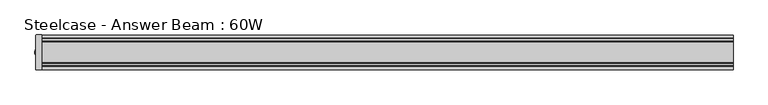
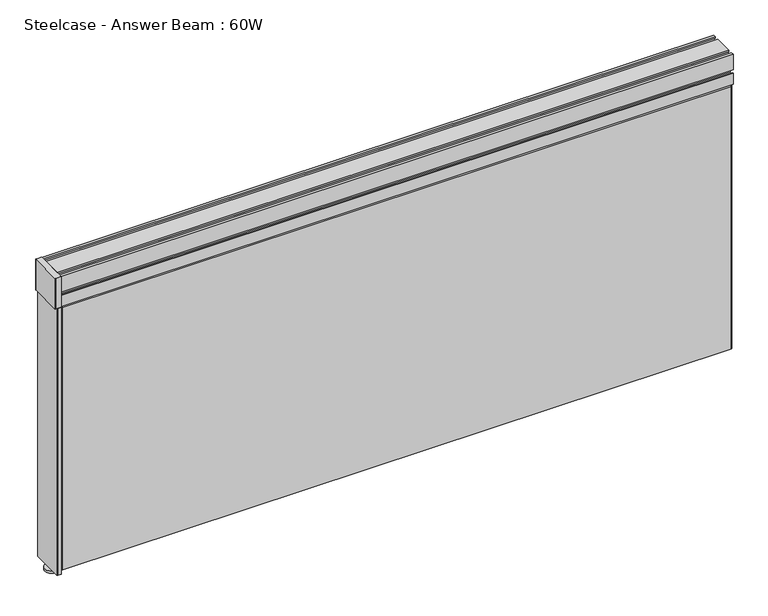
"""IFC4 building model written with IfcOpenShell, lengths in millimetres: furniture geometry, Steelcase - Answer Beam : 60W."""

from ifc_helpers import new_model, si_unit, point, frame, frame_2d, origin, place, context, project, spatial, polyline, circle_curve, trimmed, segment, composite_curve, outline, extrude, faceted_brep, source, transform, mapped, element, save
from ifc_brep_helpers import plane_surface, cylinder_surface, advanced_brep


def steelcase_answer_beam_60w_7ed83cf3(model_context):
    return source(origin(), model_context, "Body", "SolidModel", [
        extrude(outline(composite_curve([segment(polyline([(0.0, 37.0205422), (0.0, -39.9414634), (-7.9004175, -39.9414634)]), True, "CONTINUOUS"), segment(trimmed(circle_curve(frame_2d((-7.9004175, -38.6714634)), 1.27), [point((-7.9004175, -39.9414634))], [point((-9.1704175, -38.6714634))], False, "CARTESIAN"), True, "CONTINUOUS"), segment(polyline([(-9.1704175, -38.6714634), (-9.1704175, 35.719506)]), True, "CONTINUOUS"), segment(trimmed(circle_curve(frame_2d((-7.8693814, 35.719506)), 1.3010361), [point((-9.1704175, 35.719506))], [point((-7.8693814, 37.0205422))], False, "CARTESIAN"), True, "CONTINUOUS"), segment(polyline([(-7.8693814, 37.0205422), (0.0, 37.0205422)]), True, "CONTINUOUS")], self_intersect=False)), frame((0.0, 0.0, 10.6172003), z_axis=(0.0, 0.0, 1.0), x_axis=(1.0, 0.0, 0.0)), (0.0, 0.0, 1.0), 640.5296701),
        extrude(outline(composite_curve([segment(polyline([(0.0, 37.0205422), (0.0, -39.9414634), (-12.1053458, -39.9414634)]), True, "CONTINUOUS"), segment(trimmed(circle_curve(frame_2d((-12.1053458, -38.6714634)), 1.27), [point((-12.1053458, -39.9414634))], [point((-13.3753458, -38.6714634))], False, "CARTESIAN"), True, "CONTINUOUS"), segment(polyline([(-13.3753458, -38.6714634), (-13.3753458, 35.719506)]), True, "CONTINUOUS"), segment(trimmed(circle_curve(frame_2d((-12.0743096, 35.719506)), 1.3010361), [point((-13.3753458, 35.719506))], [point((-12.0743096, 37.0205422))], False, "CARTESIAN"), True, "CONTINUOUS"), segment(polyline([(-12.0743096, 37.0205422), (0.0, 37.0205422)]), True, "CONTINUOUS")], self_intersect=False)), frame((0.0, 0.0, 651.1468705), z_axis=(0.0, 0.0, 1.0), x_axis=(1.0, 0.0, 0.0)), (0.0, 0.0, 1.0), 73.5296311),
        advanced_brep(
        [(0.0, -16.7639889, 0.0), (0.0, -1.524, 0.0), (0.0, 13.7159889, 0.0), (0.0, 13.7159889, 5.0800003), (0.0, -16.7639889, 5.0800003), (0.0, 3.5559952, 5.0800003), (0.0, -6.6039952, 5.0800003), (0.0, -6.6039952, 15.4686007), (0.0, 3.5559952, 15.4686007), (0.0, -1.524, 15.4686007)],
        [
            (0, 1),
            (1, 2),
            (2, 0, circle_curve(frame((0.0, -1.524, 0.0), z_axis=(0.0, 0.0, -1.0), x_axis=(0.0, -1.0, 0.0)), 15.2399889)),
            (3, 2),
            (2, 0, circle_curve(frame((0.0, -1.524, 0.0), z_axis=(0.0, 0.0, 1.0), x_axis=(0.0, -1.0, 0.0)), 15.2399889)),
            (0, 4),
            (4, 3, circle_curve(frame((0.0, -1.524, 5.0800003), z_axis=(0.0, 0.0, -1.0), x_axis=(0.0, -1.0, 0.0)), 15.2399889)),
            (5, 3),
            (4, 6),
            (6, 5, circle_curve(frame((0.0, -1.524, 5.0800003), z_axis=(0.0, 0.0, -1.0), x_axis=(0.0, -1.0, 0.0)), 5.0799952)),
            (4, 3, circle_curve(frame((0.0, -1.524, 5.0800003), z_axis=(0.0, 0.0, 1.0), x_axis=(0.0, -1.0, 0.0)), 15.2399889)),
            (5, 6, circle_curve(frame((0.0, -1.524, 5.0800003), z_axis=(0.0, 0.0, -1.0), x_axis=(0.0, -1.0, 0.0)), 5.0799952)),
            (7, 6),
            (5, 8),
            (8, 7, circle_curve(frame((0.0, -1.524, 15.4686007), z_axis=(0.0, 0.0, -1.0), x_axis=(0.0, -1.0, 0.0)), 5.0799952)),
            (9, 8),
            (8, 7, circle_curve(frame((0.0, -1.524, 15.4686007), z_axis=(0.0, 0.0, 1.0), x_axis=(0.0, -1.0, 0.0)), 5.0799952)),
            (7, 9),
        ],
        [
            plane_surface(frame((0.0, -1.524, 0.0), z_axis=(0.0, 0.0, -1.0), x_axis=(0.0, -1.0, 0.0))),
            cylinder_surface(frame((0.0, -1.524, 13.8171881), z_axis=(0.0, 0.0, 1.0), x_axis=(0.0, -1.0, 0.0)), 15.2399889),
            plane_surface(frame((0.0, -1.524, 5.0800003), z_axis=(0.0, 0.0, 1.0), x_axis=(0.0, -1.0, 0.0))),
            cylinder_surface(frame((0.0, -1.524, 13.8171881), z_axis=(0.0, 0.0, 1.0), x_axis=(0.0, -1.0, 0.0)), 5.0799952),
            plane_surface(frame((0.0, -1.524, 15.4686007), z_axis=(0.0, 0.0, 1.0), x_axis=(0.0, -1.0, 0.0))),
        ],
        [
            (0, [[1, 2, 3]]),
            (1, [[4, 5, 6, 7]]),
            (2, [[8, -7, 9, 10]]),
            (2, [[-9, 11, -8, 12]]),
            (3, [[13, -12, 14, 15]]),
            (4, [[16, 17, 18]]),
            (0, [[-2, -1, -5]]),
            (1, [[-6, -3, -4, -11]]),
            (3, [[-14, -10, -13, -17]]),
            (4, [[-18, -15, -16]]),
        ],
    ),
        faceted_brep([(1524.0, -34.8615783, 652.41333), (1524.0, -34.8615783, 15.4686007), (0.0, -34.8615783, 15.4686007), (0.0, -34.8615783, 652.41333), (1520.19, -39.6240691, 648.60333), (3.8480867, -39.6240691, 648.60333), (3.8480867, -39.6240691, 19.2786007), (1520.19, -39.6240691, 19.2786007)], [[[0, 1, 2, 3]], [[4, 5, 6, 7]], [[4, 0, 3, 5]], [[5, 3, 2, 6]], [[6, 2, 1, 7]], [[7, 1, 0, 4]]]),
        faceted_brep([(1524.0, 31.8135783, 652.41333), (0.0, 31.8135783, 652.41333), (0.0, 31.8135783, 15.4686007), (1524.0, 31.8135783, 15.4686007), (1520.19, 36.5760691, 648.60333), (1520.19, 36.5760691, 19.2786007), (3.8480867, 36.5760691, 19.2786007), (3.8480867, 36.5760691, 648.60333)], [[[0, 1, 2, 3]], [[4, 5, 6, 7]], [[7, 1, 0, 4]], [[6, 2, 1, 7]], [[5, 3, 2, 6]], [[4, 0, 3, 5]]]),
        extrude(outline(polyline([(20.5021911, 724.6765015), (20.5021911, 720.866487), (16.9461888, 720.866487), (16.9461888, 717.2031205), (21.491536, 714.5788631), (22.679386, 714.5788631), (22.679386, 712.2204304), (28.4421929, 712.2204304), (33.9884693, 717.0417349), (33.9884693, 720.866487), (30.2810087, 720.866487), (30.2810087, 724.6765015), (36.6310087, 724.6765015), (36.6310087, 687.0860949), (33.9884693, 687.0860949), (33.9884693, 690.6024312), (26.3961877, 690.3485097), (26.3961877, 675.6167666), (34.6255741, 675.6167666), (34.6255741, 678.7024545), (36.6310087, 678.7024545), (36.6310087, 652.41333), (29.2339003, 652.41333), (26.892357, 653.0407446), (26.892357, 656.1974246), (24.4441546, 658.645627), (24.4441546, 661.4388676), (28.7161792, 658.9724131), (28.7161792, 654.9535408), (32.8261803, 654.9535408), (32.8261803, 669.4233437), (30.367002, 671.882522), (24.4441546, 671.882522), (24.4441546, 694.4124694), (30.7941546, 694.4124694), (32.8261803, 696.4444951), (32.8261803, 706.4215572), (30.9809451, 708.2667924), (26.7932424, 708.2667924), (22.679386, 704.1529359), (-25.727386, 704.1529359), (-29.8412424, 708.2667924), (-34.0289451, 708.2667924), (-35.8741803, 706.4215572), (-35.8741803, 696.4444951), (-33.8421546, 694.4124694), (-27.4921546, 694.4124694), (-27.4921546, 671.882522), (-33.415002, 671.882522), (-35.8741803, 669.4233437), (-35.8741803, 654.9535408), (-31.7641792, 654.9535408), (-31.7641792, 658.9724131), (-27.4921546, 661.4388676), (-27.4921546, 658.645627), (-29.940357, 656.1974246), (-29.940357, 653.0407446), (-32.2819003, 652.41333), (-39.6790087, 652.41333), (-39.6790087, 678.7024545), (-37.6735741, 678.7024545), (-37.6735741, 675.6167666), (-29.4441877, 675.6167666), (-29.4441877, 690.3485097), (-37.0364693, 690.6024312), (-37.0364693, 687.0860949), (-39.6790087, 687.0860949), (-39.6790087, 724.6765015), (-33.3290087, 724.6765015), (-33.3290087, 720.866487), (-37.0364693, 720.866487), (-37.0364693, 717.0417349), (-31.4901929, 712.2204304), (-25.727386, 712.2204304), (-25.727386, 714.5788631), (-24.539536, 714.5788631), (-19.9941888, 717.2031205), (-19.9941888, 720.866487), (-23.5501911, 720.866487), (-23.5501911, 724.6765015), (20.5021911, 724.6765015)])), frame((0.0, 0.0, 0.0), z_axis=(1.0, 0.0, 0.0), x_axis=(0.0, 1.0, 0.0)), (0.0, 0.0, 1.0), 1524.0),
    ])


if __name__ == "__main__":
    model = new_model("IFC4")
    model_context = context("Model", 3, world=origin())
    ifc_project = project(units=[si_unit("LENGTHUNIT", "METRE", prefix="MILLI")], contexts=[model_context])
    site = spatial("IfcSite", under=ifc_project)
    building = spatial("IfcBuilding", under=site)
    placement = place(None, origin())
    steelcase_answer_beam_60w_shape = steelcase_answer_beam_60w_7ed83cf3(model_context)
    element("IfcFurniture", 1, ObjectType="Steelcase - Answer Beam : 60W", at=placement, inside=building, context=model_context, shape_type="MappedRepresentation", body=[
        mapped(steelcase_answer_beam_60w_shape, transform((0.0, 0.0, 0.0), x_axis=(1.0, 0.0, 0.0), y_axis=(0.0, 1.0, 0.0), z_axis=(0.0, 0.0, 1.0))),
    ])
    save(model, "model.ifc")
